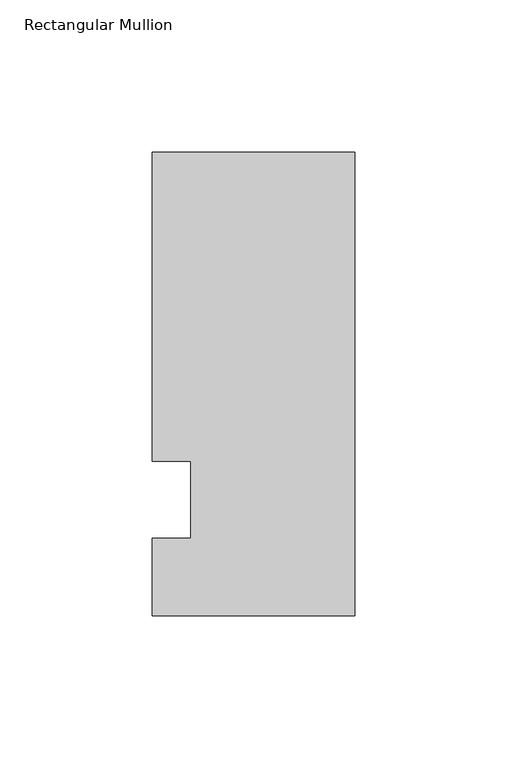
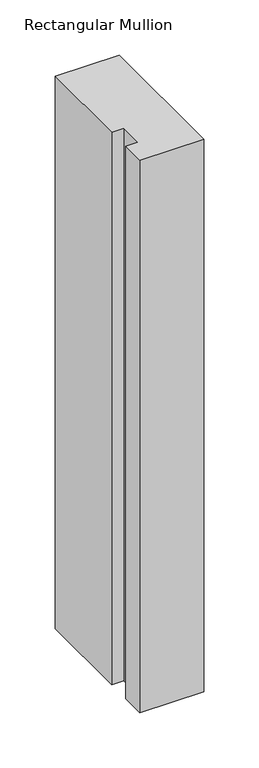
"""IFC4 building model written with IfcOpenShell, lengths in millimetres: member geometry, Rectangular Mullion."""

from ifc_helpers import new_model, si_unit, frame, origin, place, context, project, spatial, polyline, outline, extrude, source, transform, mapped, element, save


def rectangular_mullion_b70cad17(model_context):
    return source(origin(), model_context, "Body", "SweptSolid", [
        extrude(outline(polyline([(-66.675, 114.3), (0.0, 114.3), (0.0, -38.1), (-66.675, -38.1), (-66.675, -12.7), (-53.975, -12.7), (-53.975, 12.7), (-66.675, 12.7), (-66.675, 114.3)])), frame((0.0, 0.0, -609.6), z_axis=(0.0, 0.0, 1.0), x_axis=(1.0, 0.0, 0.0)), (0.0, 0.0, 1.0), 609.6),
    ])


if __name__ == "__main__":
    model = new_model("IFC4")
    model_context = context("Model", 3, world=origin())
    ifc_project = project(units=[si_unit("LENGTHUNIT", "METRE", prefix="MILLI")], contexts=[model_context])
    site = spatial("IfcSite", under=ifc_project)
    building = spatial("IfcBuilding", under=site)
    placement = place(None, origin())
    rectangular_mullion_shape = rectangular_mullion_b70cad17(model_context)
    element("IfcMember", 1, ObjectType="Rectangular Mullion", at=placement, inside=building, context=model_context, shape_type="MappedRepresentation", body=[
        mapped(rectangular_mullion_shape, transform((0.0, 0.0, 0.0), x_axis=(1.0, 0.0, 0.0), y_axis=(0.0, 1.0, 0.0), z_axis=(0.0, 0.0, 1.0))),
    ])
    save(model, "model.ifc")
